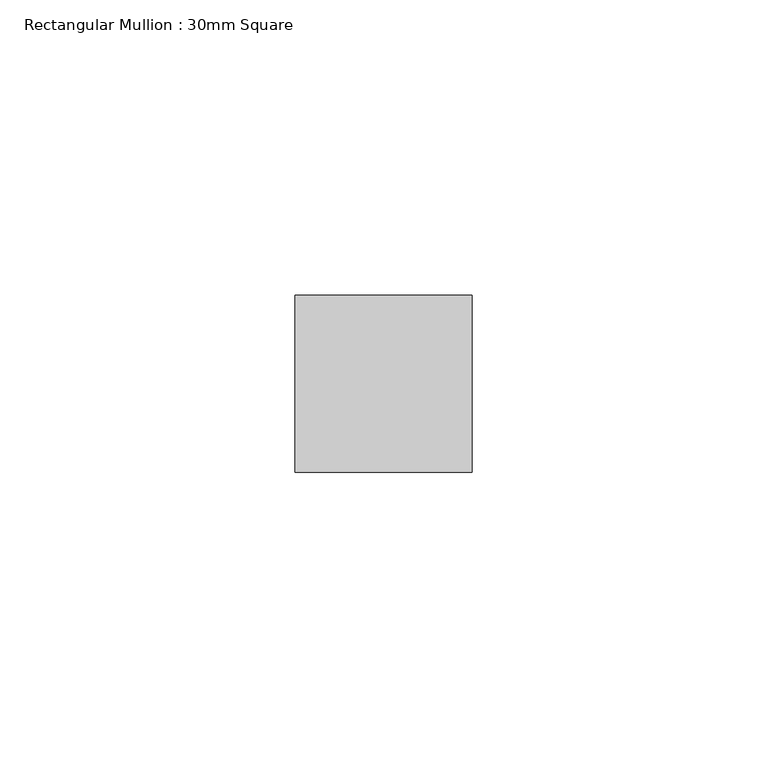
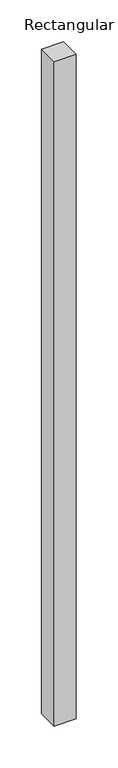
"""IFC4 building model written with IfcOpenShell, lengths in millimetres: member geometry, Rectangular Mullion : 30mm Square."""

from ifc_helpers import new_model, si_unit, frame, origin, place, context, project, spatial, polyline, outline, extrude, source, transform, mapped, element, save


def rectangular_mullion_30mm_square_3061a71f(model_context):
    return source(origin(), model_context, "Body", "SweptSolid", [
        extrude(outline(polyline([(0.0, 15.0), (0.0, -15.0), (-30.0, -15.0), (-30.0, 15.0), (0.0, 15.0)])), frame((0.0, 0.0, -967.4471375), z_axis=(0.0, 0.0, 1.0), x_axis=(1.0, 0.0, 0.0)), (0.0, 0.0, 1.0), 967.4471375),
    ])


if __name__ == "__main__":
    model = new_model("IFC4")
    model_context = context("Model", 3, world=origin())
    ifc_project = project(units=[si_unit("LENGTHUNIT", "METRE", prefix="MILLI")], contexts=[model_context])
    site = spatial("IfcSite", under=ifc_project)
    building = spatial("IfcBuilding", under=site)
    placement = place(None, origin())
    rectangular_mullion_30mm_square_shape = rectangular_mullion_30mm_square_3061a71f(model_context)
    element("IfcMember", 1, ObjectType="Rectangular Mullion : 30mm Square", at=placement, inside=building, context=model_context, shape_type="MappedRepresentation", body=[
        mapped(rectangular_mullion_30mm_square_shape, transform((0.0, 0.0, 0.0), x_axis=(1.0, 0.0, 0.0), y_axis=(0.0, 1.0, 0.0), z_axis=(0.0, 0.0, 1.0))),
    ])
    save(model, "model.ifc")
